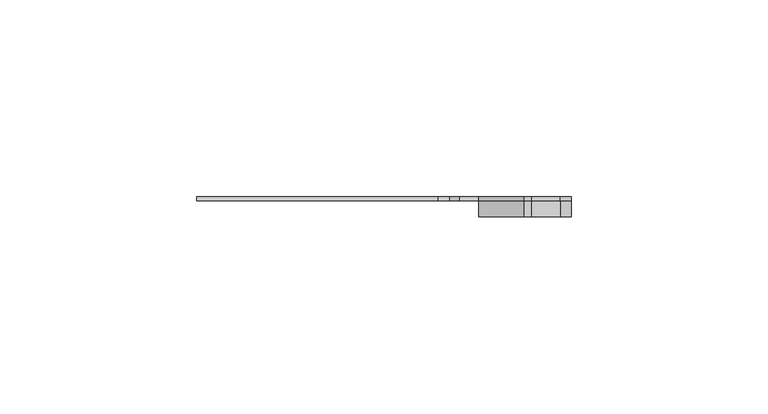
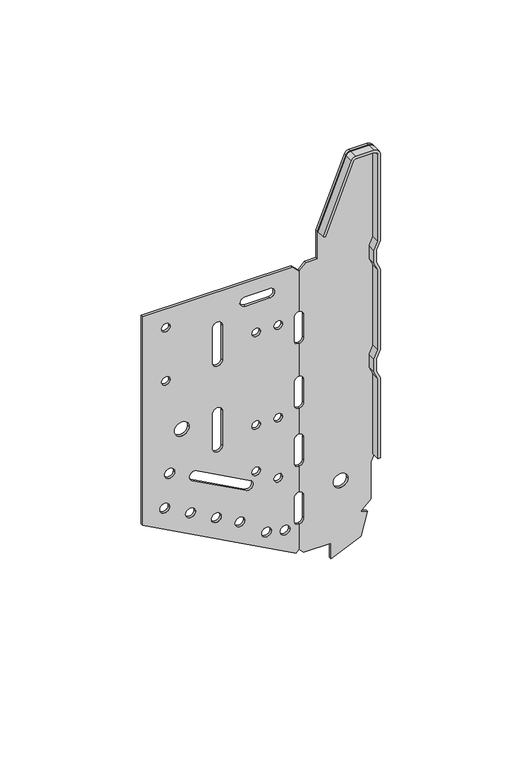
"""IFC4 building model written with IfcOpenShell, lengths in millimetres: proxy geometry."""

from ifc_helpers import new_model, si_unit, point, frame, frame_2d, origin, place, context, project, spatial, polyline, circle_curve, trimmed, segment, composite_curve, outline, extrude, source, transform, mapped, element, save


def generic_models_447bfa87(model_context):
    return source(origin(), model_context, "Body", "SweptSolid", [
        extrude(outline(composite_curve([segment(polyline([(126.0, -64.0418901), (36.0, -64.0418901), (1.9548724, -1.3378749), (3.2811227, 0.0), (14.0004336, 0.0)]), True, "CONTINUOUS"), segment(trimmed(circle_curve(frame_2d((16.0236269, -0.0418901)), 2.0236269), [point((14.0004336, 0.0))], [point((16.0236269, -2.065517))], True, "CARTESIAN"), True, "CONTINUOUS"), segment(polyline([(16.0236269, -2.065517), (25.9763731, -2.065517)]), True, "CONTINUOUS"), segment(trimmed(circle_curve(frame_2d((25.9763731, -0.0418901)), 2.0236269), [point((25.9763731, -2.065517))], [point((27.9995664, 0.0))], True, "CARTESIAN"), True, "CONTINUOUS"), segment(polyline([(27.9995664, 0.0), (39.0004336, 0.0)]), True, "CONTINUOUS"), segment(trimmed(circle_curve(frame_2d((41.0236269, -0.0418901)), 2.0236269), [point((39.0004336, 0.0))], [point((41.0236269, -2.065517))], True, "CARTESIAN"), True, "CONTINUOUS"), segment(polyline([(41.0236269, -2.065517), (50.9763731, -2.065517)]), True, "CONTINUOUS"), segment(trimmed(circle_curve(frame_2d((50.9763731, -0.0418901)), 2.0236269), [point((50.9763731, -2.065517))], [point((52.9995664, 0.0))], True, "CARTESIAN"), True, "CONTINUOUS"), segment(polyline([(52.9995664, 0.0), (64.0004336, 0.0)]), True, "CONTINUOUS"), segment(trimmed(circle_curve(frame_2d((66.0236269, -0.0418901)), 2.0236269), [point((64.0004336, 0.0))], [point((66.0236269, -2.065517))], True, "CARTESIAN"), True, "CONTINUOUS"), segment(polyline([(66.0236269, -2.065517), (75.9763731, -2.065517)]), True, "CONTINUOUS"), segment(trimmed(circle_curve(frame_2d((75.9763731, -0.0418901)), 2.0236269), [point((75.9763731, -2.065517))], [point((77.9995664, 0.0))], True, "CARTESIAN"), True, "CONTINUOUS"), segment(polyline([(77.9995664, 0.0), (92.0004336, 0.0)]), True, "CONTINUOUS"), segment(trimmed(circle_curve(frame_2d((94.0236269, -0.0418901)), 2.0236269), [point((92.0004336, 0.0))], [point((94.0236269, -2.065517))], True, "CARTESIAN"), True, "CONTINUOUS"), segment(polyline([(94.0236269, -2.065517), (103.9763731, -2.065517)]), True, "CONTINUOUS"), segment(trimmed(circle_curve(frame_2d((103.9763731, -0.0418901)), 2.0236269), [point((103.9763731, -2.065517))], [point((105.9995664, 0.0))], True, "CARTESIAN"), True, "CONTINUOUS"), segment(polyline([(105.9995664, 0.0), (123.2762651, 0.0), (126.0, -2.7237349), (126.0, -64.0418901)]), True, "CONTINUOUS")], self_intersect=False), holes=[composite_curve([segment(trimmed(circle_curve(frame_2d((118.0, -54.5101704)), 1.75), [point((118.0, -56.2601704))], [point((118.0, -52.7601704))], True, "CARTESIAN"), True, "CONTINUOUS"), segment(trimmed(circle_curve(frame_2d((118.0, -54.5101704)), 1.75), [point((118.0, -52.7601704))], [point((118.0, -56.2601704))], True, "CARTESIAN"), True, "CONTINUOUS")], self_intersect=False), composite_curve([segment(trimmed(circle_curve(frame_2d((95.0, -54.5101704)), 1.75), [point((95.0, -56.2601704))], [point((95.0, -52.7601704))], True, "CARTESIAN"), True, "CONTINUOUS"), segment(trimmed(circle_curve(frame_2d((95.0, -54.5101704)), 1.75), [point((95.0, -52.7601704))], [point((95.0, -56.2601704))], True, "CARTESIAN"), True, "CONTINUOUS")], self_intersect=False), composite_curve([segment(trimmed(circle_curve(frame_2d((72.0, -47.9979045)), 3.0), [point((72.0, -50.9979045))], [point((72.0, -44.9979045))], True, "CARTESIAN"), True, "CONTINUOUS"), segment(trimmed(circle_curve(frame_2d((72.0, -47.9979045)), 3.0), [point((72.0, -44.9979045))], [point((72.0, -50.9979045))], True, "CARTESIAN"), True, "CONTINUOUS")], self_intersect=False), composite_curve([segment(trimmed(circle_curve(frame_2d((54.5, -52.9517366)), 2.0901535), [point((54.5, -55.0418901))], [point((54.5, -50.861583))], True, "CARTESIAN"), True, "CONTINUOUS"), segment(trimmed(circle_curve(frame_2d((54.5, -52.9517366)), 2.0901535), [point((54.5, -50.861583))], [point((54.5, -55.0418901))], True, "CARTESIAN"), True, "CONTINUOUS")], self_intersect=False), composite_curve([segment(trimmed(circle_curve(frame_2d((40.1676263, -54.9517366)), 2.0), [point((40.1676263, -56.9517366))], [point((40.1676263, -52.9517366))], True, "CARTESIAN"), True, "CONTINUOUS"), segment(trimmed(circle_curve(frame_2d((40.1676263, -54.9517366)), 2.0), [point((40.1676263, -52.9517366))], [point((40.1676263, -56.9517366))], True, "CARTESIAN"), True, "CONTINUOUS")], self_intersect=False), composite_curve([segment(trimmed(circle_curve(frame_2d((34.4417699, -44.4059048)), 2.0), [point((34.4417699, -46.4059048))], [point((34.4417699, -42.4059048))], True, "CARTESIAN"), True, "CONTINUOUS"), segment(trimmed(circle_curve(frame_2d((34.4417699, -44.4059048)), 2.0), [point((34.4417699, -42.4059048))], [point((34.4417699, -46.4059048))], True, "CARTESIAN"), True, "CONTINUOUS")], self_intersect=False), composite_curve([segment(trimmed(circle_curve(frame_2d((28.7159134, -33.860073)), 2.0), [point((28.7159134, -35.860073))], [point((28.7159134, -31.860073))], True, "CARTESIAN"), True, "CONTINUOUS"), segment(trimmed(circle_curve(frame_2d((28.7159134, -33.860073)), 2.0), [point((28.7159134, -31.860073))], [point((28.7159134, -35.860073))], True, "CARTESIAN"), True, "CONTINUOUS")], self_intersect=False), composite_curve([segment(trimmed(circle_curve(frame_2d((23.4672117, -24.1930605)), 2.0), [point((23.4672117, -26.1930605))], [point((23.4672117, -22.1930605))], True, "CARTESIAN"), True, "CONTINUOUS"), segment(trimmed(circle_curve(frame_2d((23.4672117, -24.1930605)), 2.0), [point((23.4672117, -22.1930605))], [point((23.4672117, -26.1930605))], True, "CARTESIAN"), True, "CONTINUOUS")], self_intersect=False), composite_curve([segment(trimmed(circle_curve(frame_2d((15.2572508, -13.2891371)), 2.0), [point((15.2572508, -15.2891371))], [point((15.2572508, -11.2891371))], True, "CARTESIAN"), True, "CONTINUOUS"), segment(trimmed(circle_curve(frame_2d((15.2572508, -13.2891371)), 2.0), [point((15.2572508, -11.2891371))], [point((15.2572508, -15.2891371))], True, "CARTESIAN"), True, "CONTINUOUS")], self_intersect=False), composite_curve([segment(trimmed(circle_curve(frame_2d((13.4571433, -5.7323275)), 2.0), [point((13.4571433, -7.7323275))], [point((13.4571433, -3.7323275))], True, "CARTESIAN"), True, "CONTINUOUS"), segment(trimmed(circle_curve(frame_2d((13.4571433, -5.7323275)), 2.0), [point((13.4571433, -3.7323275))], [point((13.4571433, -7.7323275))], True, "CARTESIAN"), True, "CONTINUOUS")], self_intersect=False), composite_curve([segment(trimmed(circle_curve(frame_2d((103.0, -17.5622042)), 1.75), [point((103.0, -19.3122042))], [point((103.0, -15.8122042))], True, "CARTESIAN"), True, "CONTINUOUS"), segment(trimmed(circle_curve(frame_2d((103.0, -17.5622042)), 1.75), [point((103.0, -15.8122042))], [point((103.0, -19.3122042))], True, "CARTESIAN"), True, "CONTINUOUS")], self_intersect=False), composite_curve([segment(trimmed(circle_curve(frame_2d((103.0, -8.5501839)), 1.75), [point((103.0, -10.3001839))], [point((103.0, -6.8001839))], True, "CARTESIAN"), True, "CONTINUOUS"), segment(trimmed(circle_curve(frame_2d((103.0, -8.5501839)), 1.75), [point((103.0, -6.8001839))], [point((103.0, -10.3001839))], True, "CARTESIAN"), True, "CONTINUOUS")], self_intersect=False), composite_curve([segment(trimmed(circle_curve(frame_2d((63.0, -17.5622042)), 1.75), [point((63.0, -19.3122042))], [point((63.0, -15.8122042))], True, "CARTESIAN"), True, "CONTINUOUS"), segment(trimmed(circle_curve(frame_2d((63.0, -17.5622042)), 1.75), [point((63.0, -15.8122042))], [point((63.0, -19.3122042))], True, "CARTESIAN"), True, "CONTINUOUS")], self_intersect=False), composite_curve([segment(trimmed(circle_curve(frame_2d((63.0, -8.5501839)), 1.75), [point((63.0, -10.3001839))], [point((63.0, -6.8001839))], True, "CARTESIAN"), True, "CONTINUOUS"), segment(trimmed(circle_curve(frame_2d((63.0, -8.5501839)), 1.75), [point((63.0, -6.8001839))], [point((63.0, -10.3001839))], True, "CARTESIAN"), True, "CONTINUOUS")], self_intersect=False), composite_curve([segment(trimmed(circle_curve(frame_2d((43.0, -17.5622042)), 1.75), [point((43.0, -19.3122042))], [point((43.0, -15.8122042))], True, "CARTESIAN"), True, "CONTINUOUS"), segment(trimmed(circle_curve(frame_2d((43.0, -17.5622042)), 1.75), [point((43.0, -15.8122042))], [point((43.0, -19.3122042))], True, "CARTESIAN"), True, "CONTINUOUS")], self_intersect=False), composite_curve([segment(trimmed(circle_curve(frame_2d((37.0, -8.5501839)), 1.75), [point((37.0, -10.3001839))], [point((37.0, -6.8001839))], True, "CARTESIAN"), True, "CONTINUOUS"), segment(trimmed(circle_curve(frame_2d((37.0, -8.5501839)), 1.75), [point((37.0, -6.8001839))], [point((37.0, -10.3001839))], True, "CARTESIAN"), True, "CONTINUOUS")], self_intersect=False), composite_curve([segment(polyline([(96.0236269, -35.4246241), (110.9763731, -35.4246241)]), True, "CONTINUOUS"), segment(trimmed(circle_curve(frame_2d((110.9763731, -33.4009971)), 2.0236269), [point((110.9763731, -35.4246241))], [point((110.9763731, -31.3773702))], True, "CARTESIAN"), True, "CONTINUOUS"), segment(polyline([(110.9763731, -31.3773702), (96.0236269, -31.3773702)]), True, "CONTINUOUS"), segment(trimmed(circle_curve(frame_2d((96.0236269, -33.4009971)), 2.0236269), [point((96.0236269, -31.3773702))], [point((96.0236269, -35.4246241))], True, "CARTESIAN"), True, "CONTINUOUS")], self_intersect=False), composite_curve([segment(polyline([(115.9763731, -12.065517), (115.9763731, -22.0182631)]), True, "CONTINUOUS"), segment(trimmed(circle_curve(frame_2d((118.0, -22.0182631)), 2.0236269), [point((115.9763731, -22.0182631))], [point((120.0236269, -22.0182631))], True, "CARTESIAN"), True, "CONTINUOUS"), segment(polyline([(120.0236269, -22.0182631), (120.0236269, -12.065517)]), True, "CONTINUOUS"), segment(trimmed(circle_curve(frame_2d((118.0, -12.065517)), 2.0236269), [point((120.0236269, -12.065517))], [point((115.9763731, -12.065517))], True, "CARTESIAN"), True, "CONTINUOUS")], self_intersect=False), composite_curve([segment(polyline([(73.9763731, -31.3773702), (59.0236269, -31.3773702)]), True, "CONTINUOUS"), segment(trimmed(circle_curve(frame_2d((59.0236269, -33.4009971)), 2.0236269), [point((59.0236269, -31.3773702))], [point((59.0236269, -35.4246241))], True, "CARTESIAN"), True, "CONTINUOUS"), segment(polyline([(59.0236269, -35.4246241), (73.9763731, -35.4246241)]), True, "CONTINUOUS"), segment(trimmed(circle_curve(frame_2d((73.9763731, -33.4009971)), 2.0236269), [point((73.9763731, -35.4246241))], [point((73.9763731, -31.3773702))], True, "CARTESIAN"), True, "CONTINUOUS")], self_intersect=False), composite_curve([segment(polyline([(51.7189076, -41.8530352), (39.7916838, -19.8855798)]), True, "CONTINUOUS"), segment(trimmed(circle_curve(frame_2d((38.0132813, -20.8511629)), 2.0236269), [point((39.7916838, -19.8855798))], [point((36.2348789, -21.816746))], True, "CARTESIAN"), True, "CONTINUOUS"), segment(polyline([(36.2348789, -21.816746), (48.1621027, -43.7842015)]), True, "CONTINUOUS"), segment(trimmed(circle_curve(frame_2d((49.9405052, -42.8186183)), 2.0236269), [point((48.1621027, -43.7842015))], [point((51.7189076, -41.8530352))], True, "CARTESIAN"), True, "CONTINUOUS")], self_intersect=False)]), frame((0.0, -1.0, 0.0), z_axis=(0.0, 1.0, 0.0), x_axis=(0.0, 0.0, 1.0)), (0.0, 0.0, 1.0), 1.0),
        extrude(outline(composite_curve([segment(polyline([(123.2762651, 0.0), (105.9995664, 0.0)]), True, "CONTINUOUS"), segment(trimmed(circle_curve(frame_2d((103.9763731, -0.0418901)), 2.0236269), [point((105.9995664, 0.0))], [point((103.9763731, 1.9817369))], True, "CARTESIAN"), True, "CONTINUOUS"), segment(polyline([(103.9763731, 1.9817369), (94.0236269, 1.9817369)]), True, "CONTINUOUS"), segment(trimmed(circle_curve(frame_2d((94.0236269, -0.0418901)), 2.0236269), [point((94.0236269, 1.9817369))], [point((92.0004336, 0.0))], True, "CARTESIAN"), True, "CONTINUOUS"), segment(polyline([(92.0004336, 0.0), (77.9995664, 0.0)]), True, "CONTINUOUS"), segment(trimmed(circle_curve(frame_2d((75.9763731, -0.0418901)), 2.0236269), [point((77.9995664, 0.0))], [point((75.9763731, 1.9817369))], True, "CARTESIAN"), True, "CONTINUOUS"), segment(polyline([(75.9763731, 1.9817369), (66.0236269, 1.9817369)]), True, "CONTINUOUS"), segment(trimmed(circle_curve(frame_2d((66.0236269, -0.0418901)), 2.0236269), [point((66.0236269, 1.9817369))], [point((64.0004336, 0.0))], True, "CARTESIAN"), True, "CONTINUOUS"), segment(polyline([(64.0004336, 0.0), (52.9995664, 0.0)]), True, "CONTINUOUS"), segment(trimmed(circle_curve(frame_2d((50.9763731, -0.0418901)), 2.0236269), [point((52.9995664, 0.0))], [point((50.9763731, 1.9817369))], True, "CARTESIAN"), True, "CONTINUOUS"), segment(polyline([(50.9763731, 1.9817369), (41.0236269, 1.9817369)]), True, "CONTINUOUS"), segment(trimmed(circle_curve(frame_2d((41.0236269, -0.0418901)), 2.0236269), [point((41.0236269, 1.9817369))], [point((39.0004336, 0.0))], True, "CARTESIAN"), True, "CONTINUOUS"), segment(polyline([(39.0004336, 0.0), (27.9995664, 0.0)]), True, "CONTINUOUS"), segment(trimmed(circle_curve(frame_2d((25.9763731, -0.0418901)), 2.0236269), [point((27.9995664, 0.0))], [point((25.9763731, 1.9817369))], True, "CARTESIAN"), True, "CONTINUOUS"), segment(polyline([(25.9763731, 1.9817369), (16.0236269, 1.9817369)]), True, "CONTINUOUS"), segment(trimmed(circle_curve(frame_2d((16.0236269, -0.0418901)), 2.0236269), [point((16.0236269, 1.9817369))], [point((14.0004336, 0.0))], True, "CARTESIAN"), True, "CONTINUOUS"), segment(polyline([(14.0004336, 0.0), (3.2811227, 0.0), (1.2544381, 1.6823972), (1.2544381, 12.9581099), (-5.428456, 12.9581099), (0.0, 25.2955099), (9.9217299, 27.8751596), (10.6316334, 25.1447612), (14.8204193, 29.3335471), (30.7368828, 29.3335471), (34.220769, 30.9581099), (68.779231, 30.9581099), (72.279231, 29.3335471), (77.720769, 29.3335471), (81.220769, 30.9581099), (115.779231, 30.9581099), (119.279231, 29.3335471), (124.720769, 29.3335471), (128.220769, 30.9581099), (165.3, 30.9581099)]), True, "CONTINUOUS"), segment(trimmed(circle_curve(frame_2d((165.3, 28.2581099)), 2.7), [point((165.3, 30.9581099))], [point((168.0, 28.2581099))], False, "CARTESIAN"), True, "CONTINUOUS"), segment(polyline([(168.0, 28.2581099), (168.0, 20.9121758)]), True, "CONTINUOUS"), segment(trimmed(circle_curve(frame_2d((166.0, 20.9121758)), 2.0), [point((168.0, 20.9121758))], [point((166.7427814, 19.0552225))], False, "CARTESIAN"), True, "CONTINUOUS"), segment(polyline([(166.7427814, 19.0552225), (138.0, 7.5581099), (126.0, 7.5581099), (126.0, 2.7237349), (123.2762651, 0.0)]), True, "CONTINUOUS")], self_intersect=False), holes=[composite_curve([segment(trimmed(circle_curve(frame_2d((27.0, 16.9581099)), 3.0), [point((27.0, 13.9581099))], [point((27.0, 19.9581099))], True, "CARTESIAN"), True, "CONTINUOUS"), segment(trimmed(circle_curve(frame_2d((27.0, 16.9581099)), 3.0), [point((27.0, 19.9581099))], [point((27.0, 13.9581099))], True, "CARTESIAN"), True, "CONTINUOUS")], self_intersect=False)]), frame((0.0, -1.0, 0.0), z_axis=(0.0, 1.0, 0.0), x_axis=(0.0, 0.0, 1.0)), (0.0, 0.0, 1.0), 1.0),
        extrude(outline(composite_curve([segment(polyline([(138.0, 7.5581099), (137.6286093, 8.4865866), (166.3713907, 19.9836991)]), True, "CONTINUOUS"), segment(trimmed(circle_curve(frame_2d((166.0, 20.9121758)), 1.0), [point((166.3713907, 19.9836991))], [point((167.0, 20.9121758))], True, "CARTESIAN"), True, "CONTINUOUS"), segment(polyline([(167.0, 20.9121758), (167.0, 28.2581099)]), True, "CONTINUOUS"), segment(trimmed(circle_curve(frame_2d((165.3, 28.2581099)), 1.7), [point((167.0, 28.2581099))], [point((165.3, 29.9581099))], True, "CARTESIAN"), True, "CONTINUOUS"), segment(polyline([(165.3, 29.9581099), (128.220769, 29.9581099), (124.720769, 28.3335471), (119.279231, 28.3335471), (115.779231, 29.9581099), (81.220769, 29.9581099), (77.720769, 28.3335471), (72.279231, 28.3335471), (68.779231, 29.9581099), (34.220769, 29.9581099), (34.220769, 30.9581099), (68.779231, 30.9581099), (72.279231, 29.3335471), (77.720769, 29.3335471), (81.220769, 30.9581099), (115.779231, 30.9581099), (119.279231, 29.3335471), (124.720769, 29.3335471), (128.220769, 30.9581099), (165.3, 30.9581099)]), True, "CONTINUOUS"), segment(trimmed(circle_curve(frame_2d((165.3, 28.2581099)), 2.7), [point((165.3, 30.9581099))], [point((168.0, 28.2581099))], False, "CARTESIAN"), True, "CONTINUOUS"), segment(polyline([(168.0, 28.2581099), (168.0, 20.9121758)]), True, "CONTINUOUS"), segment(trimmed(circle_curve(frame_2d((166.0, 20.9121758)), 2.0), [point((168.0, 20.9121758))], [point((166.7427814, 19.0552225))], False, "CARTESIAN"), True, "CONTINUOUS"), segment(polyline([(166.7427814, 19.0552225), (138.0, 7.5581099)]), True, "CONTINUOUS")], self_intersect=False)), frame((0.0, -5.0, 0.0), z_axis=(0.0, 1.0, 0.0), x_axis=(0.0, 0.0, 1.0)), (0.0, 0.0, 1.0), 4.0),
    ])


if __name__ == "__main__":
    model = new_model("IFC4")
    model_context = context("Model", 3, world=origin())
    ifc_project = project(units=[si_unit("LENGTHUNIT", "METRE", prefix="MILLI")], contexts=[model_context])
    site = spatial("IfcSite", under=ifc_project)
    building = spatial("IfcBuilding", under=site)
    placement = place(None, origin())
    generic_models_shape = generic_models_447bfa87(model_context)
    element("IfcBuildingElementProxy", 1, Name="Generic Models", at=placement, inside=building, context=model_context, shape_type="MappedRepresentation", body=[
        mapped(generic_models_shape, transform((0.0, 0.0, 0.0), x_axis=(1.0, 0.0, 0.0), y_axis=(0.0, 1.0, 0.0), z_axis=(0.0, 0.0, 1.0))),
    ])
    save(model, "model.ifc")
